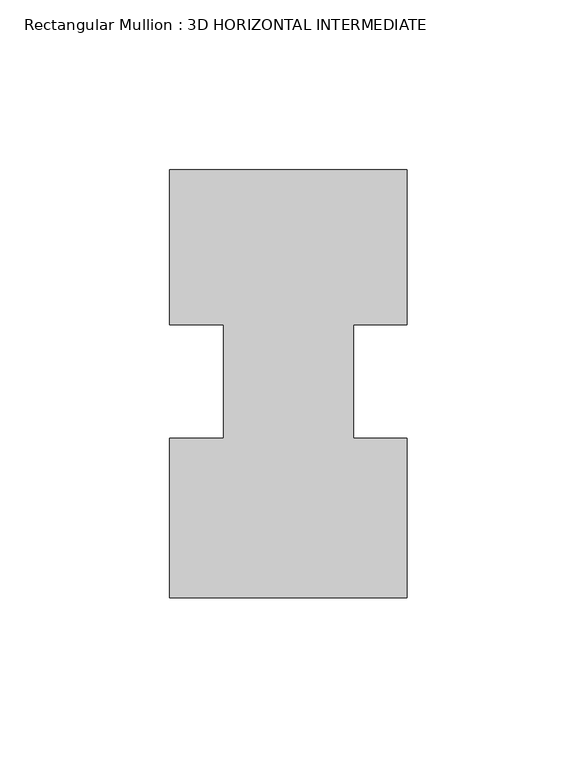
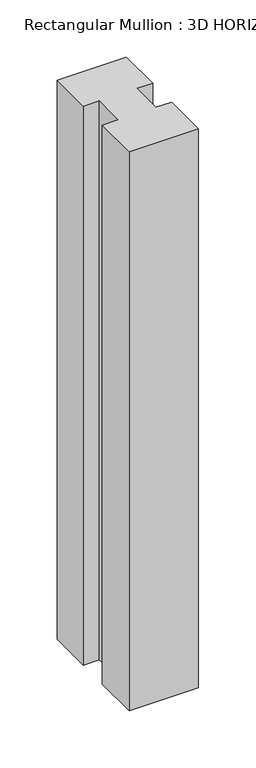
"""IFC4 building model written with IfcOpenShell, lengths in millimetres: member geometry, Rectangular Mullion : 3D HORIZONTAL INTERMEDIATE."""

from ifc_helpers import new_model, si_unit, frame, origin, place, context, project, spatial, polyline, outline, extrude, source, transform, mapped, element, save


def rectangular_mullion_3d_horizontal_intermediate_d15a89a8(model_context):
    return source(origin(), model_context, "Body", "SweptSolid", [
        extrude(outline(polyline([(-19.05, 16.678595), (-34.925, 16.678595), (-34.925, 62.251905), (34.925, 62.251905), (34.925, 16.678595), (19.05, 16.678595), (19.05, -16.678595), (34.925, -16.678595), (34.925, -63.528895), (-34.925, -63.528895), (-34.925, -16.6844264), (-19.05, -16.6844264), (-19.05, 16.678595)])), frame((0.0, 0.0, -596.375874), z_axis=(0.0, 0.0, 1.0), x_axis=(1.0, 0.0, 0.0)), (0.0, 0.0, 1.0), 596.375874),
    ])


if __name__ == "__main__":
    model = new_model("IFC4")
    model_context = context("Model", 3, world=origin())
    ifc_project = project(units=[si_unit("LENGTHUNIT", "METRE", prefix="MILLI")], contexts=[model_context])
    site = spatial("IfcSite", under=ifc_project)
    building = spatial("IfcBuilding", under=site)
    placement = place(None, origin())
    rectangular_mullion_3d_horizontal_intermediate_shape = rectangular_mullion_3d_horizontal_intermediate_d15a89a8(model_context)
    element("IfcMember", 1, ObjectType="Rectangular Mullion : 3D HORIZONTAL INTERMEDIATE", at=placement, inside=building, context=model_context, shape_type="MappedRepresentation", body=[
        mapped(rectangular_mullion_3d_horizontal_intermediate_shape, transform((0.0, 0.0, 0.0), x_axis=(1.0, 0.0, 0.0), y_axis=(0.0, 1.0, 0.0), z_axis=(0.0, 0.0, 1.0))),
    ])
    save(model, "model.ifc")
